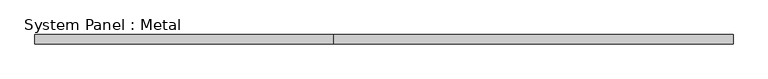
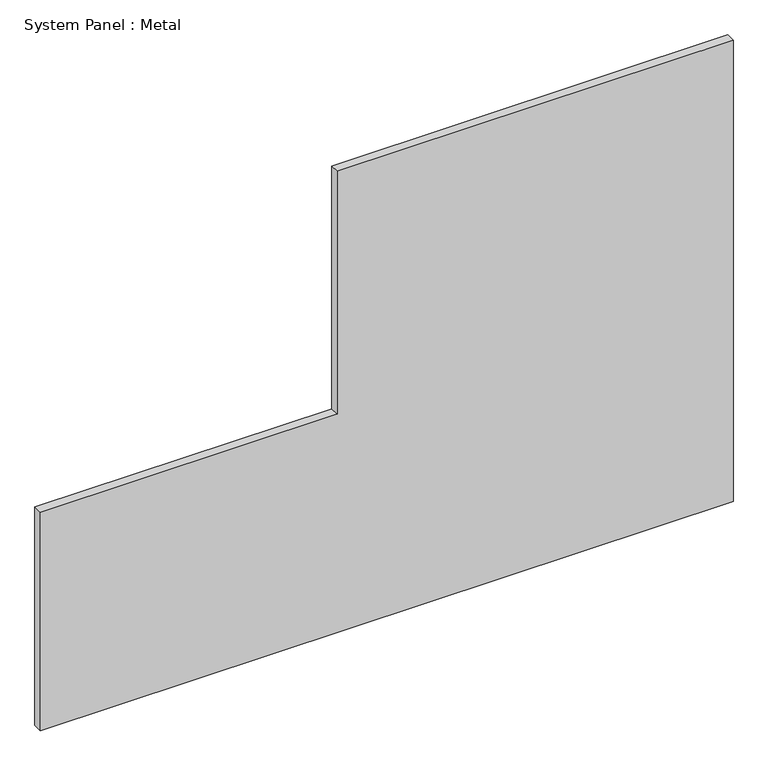
"""IFC4 building model written with IfcOpenShell, lengths in millimetres: plate geometry, System Panel : Metal."""

from ifc_helpers import new_model, si_unit, frame, origin, place, context, project, spatial, polyline, outline, extrude, source, transform, mapped, element, save


def system_panel_metal_e8e16645(model_context):
    return source(origin(), model_context, "Body", "SweptSolid", [
        extrude(outline(polyline([(0.0, -600.0), (0.0, 600.0), (845.0, 600.0), (845.0, -85.974272), (400.0, -85.974272), (400.0, -600.0), (0.0, -600.0)])), frame((0.0, -85.0, 0.0), z_axis=(0.0, 1.0, 0.0), x_axis=(0.0, 0.0, 1.0)), (0.0, 0.0, 1.0), 16.0),
    ])


if __name__ == "__main__":
    model = new_model("IFC4")
    model_context = context("Model", 3, world=origin())
    ifc_project = project(units=[si_unit("LENGTHUNIT", "METRE", prefix="MILLI")], contexts=[model_context])
    site = spatial("IfcSite", under=ifc_project)
    building = spatial("IfcBuilding", under=site)
    placement = place(None, origin())
    system_panel_metal_shape = system_panel_metal_e8e16645(model_context)
    element("IfcPlate", 1, ObjectType="System Panel : Metal", at=placement, inside=building, context=model_context, shape_type="MappedRepresentation", body=[
        mapped(system_panel_metal_shape, transform((0.0, 0.0, 0.0), x_axis=(1.0, 0.0, 0.0), y_axis=(0.0, 1.0, 0.0), z_axis=(0.0, 0.0, 1.0))),
    ])
    save(model, "model.ifc")
